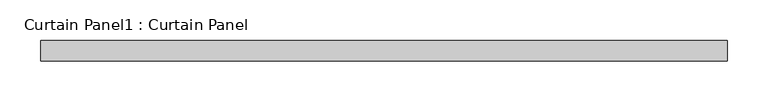
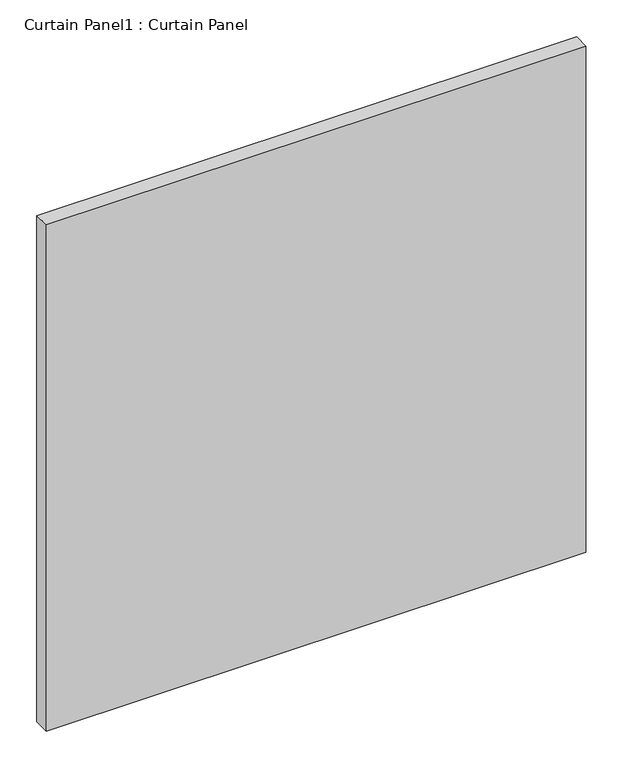
"""IFC4 building model written with IfcOpenShell, lengths in millimetres: plate geometry, Curtain Panel1 : Curtain Panel."""

from ifc_helpers import new_model, si_unit, frame, origin, place, context, project, spatial, polyline, outline, extrude, source, transform, mapped, element, save


def curtain_panel1_curtain_panel_628c2bd3(model_context):
    return source(origin(), model_context, "Body", "SweptSolid", [
        extrude(outline(polyline([(-13601.5010393, 2085.8025004), (-14445.644407, 2085.8025004), (-14445.644407, 2111.2025004), (-13601.5010393, 2111.2025004), (-13601.5010393, 2085.8025004)])), frame((0.0, 0.0, 1487.1701164), z_axis=(0.0, 0.0, 1.0), x_axis=(1.0, 0.0, 0.0)), (0.0, 0.0, 1.0), 837.0462759),
    ])


if __name__ == "__main__":
    model = new_model("IFC4")
    model_context = context("Model", 3, world=origin())
    ifc_project = project(units=[si_unit("LENGTHUNIT", "METRE", prefix="MILLI")], contexts=[model_context])
    site = spatial("IfcSite", under=ifc_project)
    building = spatial("IfcBuilding", under=site)
    placement = place(None, origin())
    curtain_panel1_curtain_panel_shape = curtain_panel1_curtain_panel_628c2bd3(model_context)
    element("IfcPlate", 1, ObjectType="Curtain Panel1 : Curtain Panel", at=placement, inside=building, context=model_context, shape_type="MappedRepresentation", body=[
        mapped(curtain_panel1_curtain_panel_shape, transform((0.0, 0.0, 0.0), x_axis=(1.0, 0.0, 0.0), y_axis=(0.0, 1.0, 0.0), z_axis=(0.0, 0.0, 1.0))),
    ])
    save(model, "model.ifc")
